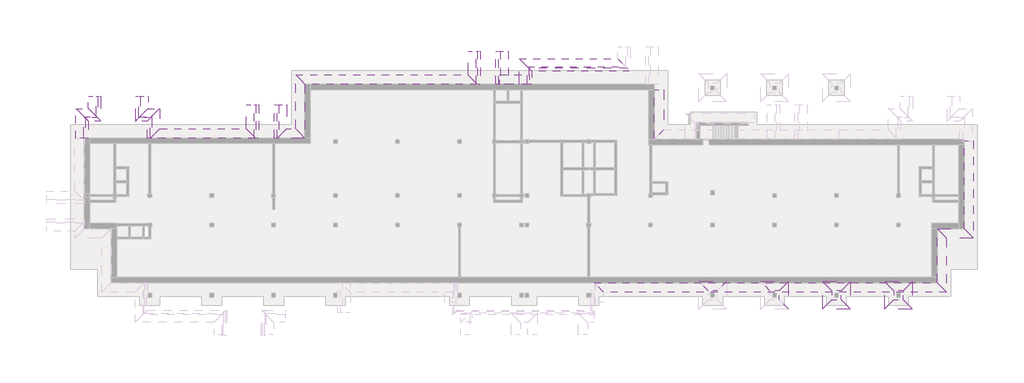
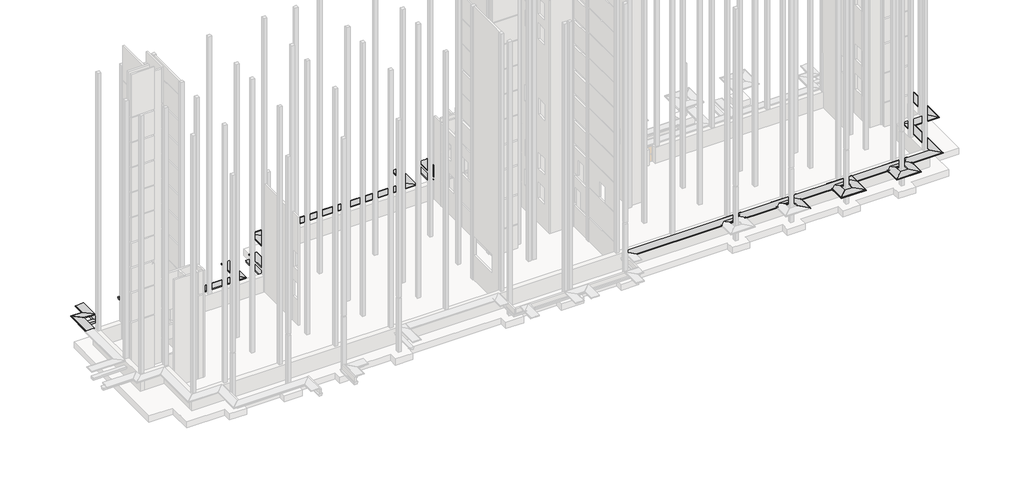
# One storey, part 8 of 9: 45 proxies.
"""IFC4 building model written with IfcOpenShell, lengths in millimetres."""

from ifc_helpers import new_model, si_unit, origin, place, context, project, spatial, faceted_brep, element, save

model = new_model("IFC4")

# Units and contexts
model_context = context("Model", 3, world=origin())
ifc_project = project(units=[si_unit("LENGTHUNIT", "METRE", prefix="MILLI")], contexts=[model_context])

# Site, building, storey
site = spatial("IfcSite", under=ifc_project)
building = spatial("IfcBuilding", under=site)
storey = spatial("IfcBuildingStorey", under=building, Elevation=-3300.0)

# Proxies
placement = place(None, origin())
element("IfcBuildingElementProxy", 1, Name="Wall Sweeps", at=placement, inside=storey, context=model_context, shape_type="Brep", body=[
    faceted_brep([(50820.0112841, 698.1079487, -1230.0), (49820.0112841, 698.1079487, -1230.0), (49820.0112841, 698.1079487, -1100.0), (50820.0112841, 698.1079487, -1150.0), (50820.0112841, 698.1079487, -1143.3493649), (50847.5112841, 698.1079487, -1143.3493649), (50860.0112841, 698.1079487, -1165.0), (50860.0112841, 698.1079487, -1230.0), (50820.0112841, -10116.8920513, -1230.0), (50860.0112841, -10156.8920513, -1230.0), (50860.0112841, -10156.8920513, -1165.0), (50847.5112841, -10144.3920513, -1143.3493649), (50820.0112841, -10116.8920513, -1143.3493649), (50820.0112841, -10116.8920513, -1150.0), (49820.0112841, -9116.8920513, -1100.0), (49820.0112841, -9116.8920513, -1230.0)], [[[0, 1, 2, 3, 4, 5, 6, 7]], [[8, 9, 10, 11, 12, 13, 14, 15]], [[1, 0, 8, 15]], [[2, 1, 15, 14]], [[3, 2, 14, 13]], [[4, 3, 13, 12]], [[5, 4, 12, 11]], [[6, 5, 11, 10]], [[7, 6, 10, 9]], [[0, 7, 9, 8]]]),
])
element("IfcBuildingElementProxy", 2, Name="Wall Sweeps", at=placement, inside=storey, context=model_context, shape_type="Brep", body=[
    faceted_brep([(50820.0112841, -10116.8920513, -1230.0), (49820.0112841, -9116.8920513, -1230.0), (49820.0112841, -9116.8920513, -1100.0), (50820.0112841, -10116.8920513, -1150.0), (50820.0112841, -10116.8920513, -1143.3493649), (50847.5112841, -10144.3920513, -1143.3493649), (50860.0112841, -10156.8920513, -1165.0), (50860.0112841, -10156.8920513, -1230.0), (47820.0112841, -10116.8920513, -1230.0), (47860.0112841, -10156.8920513, -1230.0), (47860.0112841, -10156.8920513, -1165.0), (47847.5112841, -10144.3920513, -1143.3493649), (47820.0112841, -10116.8920513, -1143.3493649), (47820.0112841, -10116.8920513, -1150.0), (46820.0112841, -9116.8920513, -1100.0), (46820.0112841, -9116.8920513, -1230.0)], [[[0, 1, 2, 3, 4, 5, 6, 7]], [[8, 9, 10, 11, 12, 13, 14, 15]], [[1, 0, 8, 15]], [[2, 1, 15, 14]], [[3, 2, 14, 13]], [[4, 3, 13, 12]], [[5, 4, 12, 11]], [[6, 5, 11, 10]], [[7, 6, 10, 9]], [[0, 7, 9, 8]]]),
])
element("IfcBuildingElementProxy", 3, Name="Wall Sweeps", at=placement, inside=storey, context=model_context, shape_type="Brep", body=[
    faceted_brep([(47820.0112841, -10116.8920513, -1230.0), (46820.0112841, -9116.8920513, -1230.0), (46820.0112841, -9116.8920513, -1100.0), (47820.0112841, -10116.8920513, -1150.0), (47820.0112841, -10116.8920513, -1143.3493649), (47847.5112841, -10144.3920513, -1143.3493649), (47860.0112841, -10156.8920513, -1165.0), (47860.0112841, -10156.8920513, -1230.0), (47820.0112841, -16116.8920513, -1230.0), (47860.0112841, -16156.8920513, -1230.0), (47860.0112841, -16156.8920513, -1165.0), (47847.5112841, -16144.3920513, -1143.3493649), (47820.0112841, -16116.8920513, -1143.3493649), (47820.0112841, -16116.8920513, -1150.0), (46820.0112841, -15116.8920513, -1100.0), (46820.0112841, -15116.8920513, -1230.0)], [[[0, 1, 2, 3, 4, 5, 6, 7]], [[8, 9, 10, 11, 12, 13, 14, 15]], [[1, 0, 8, 15]], [[2, 1, 15, 14]], [[3, 2, 14, 13]], [[4, 3, 13, 12]], [[5, 4, 12, 11]], [[6, 5, 11, 10]], [[7, 6, 10, 9]], [[0, 7, 9, 8]]]),
])
element("IfcBuildingElementProxy", 4, Name="Wall Sweeps", at=placement, inside=storey, context=model_context, shape_type="Brep", body=[
    faceted_brep([(47820.0112841, -16116.8920513, -1230.0), (46820.0112841, -15116.8920513, -1230.0), (46820.0112841, -15116.8920513, -1100.0), (47820.0112841, -16116.8920513, -1150.0), (47820.0112841, -16116.8920513, -1143.3493649), (47847.5112841, -16144.3920513, -1143.3493649), (47860.0112841, -16156.8920513, -1165.0), (47860.0112841, -16156.8920513, -1230.0), (9610.0112841, -16116.8920513, -1230.0), (9650.0112841, -16156.8920513, -1230.0), (9650.0112841, -16156.8920513, -1165.0), (9637.5112841, -16144.3920513, -1143.3493649), (9610.0112841, -16116.8920513, -1143.3493649), (9610.0112841, -16116.8920513, -1150.0), (8610.0112841, -15116.8920513, -1100.0), (8610.0112841, -15116.8920513, -1230.0)], [[[0, 1, 2, 3, 4, 5, 6, 7]], [[8, 9, 10, 11, 12, 13, 14, 15]], [[1, 0, 8, 15]], [[2, 1, 15, 14]], [[3, 2, 14, 13]], [[4, 3, 13, 12]], [[5, 4, 12, 11]], [[6, 5, 11, 10]], [[7, 6, 10, 9]], [[0, 7, 9, 8]]]),
])
element("IfcBuildingElementProxy", 5, Name="Wall Sweeps", at=placement, inside=storey, context=model_context, shape_type="Brep", body=[
    faceted_brep([(-24599.9887159, 2003.1079487, -1230.0), (-23599.9887159, 1003.1079487, -1230.0), (-23599.9887159, 1003.1079487, -1100.0), (-24599.9887159, 2003.1079487, -1150.0), (-24599.9887159, 2003.1079487, -1143.3493649), (-24627.4887159, 2030.6079487, -1143.3493649), (-24639.9887159, 2043.1079487, -1165.0), (-24639.9887159, 2043.1079487, -1230.0), (-24599.9887159, 8003.1079487, -1230.0), (-24639.9887159, 8043.1079487, -1230.0), (-24639.9887159, 8043.1079487, -1165.0), (-24627.4887159, 8030.6079487, -1143.3493649), (-24599.9887159, 8003.1079487, -1143.3493649), (-24599.9887159, 8003.1079487, -1150.0), (-23599.9887159, 7003.1079487, -1100.0), (-23599.9887159, 7003.1079487, -1230.0)], [[[0, 1, 2, 3, 4, 5, 6, 7]], [[8, 9, 10, 11, 12, 13, 14, 15]], [[1, 0, 8, 15]], [[2, 1, 15, 14]], [[3, 2, 14, 13]], [[4, 3, 13, 12]], [[5, 4, 12, 11]], [[6, 5, 11, 10]], [[7, 6, 10, 9]], [[0, 7, 9, 8]]]),
])
element("IfcBuildingElementProxy", 6, Name="Wall Sweeps", at=placement, inside=storey, context=model_context, shape_type="Brep", body=[
    faceted_brep([(-24599.9887159, 8003.1079487, -1230.0), (-23599.9887159, 7003.1079487, -1230.0), (-23599.9887159, 7003.1079487, -1100.0), (-24599.9887159, 8003.1079487, -1150.0), (-24599.9887159, 8003.1079487, -1143.3493649), (-24627.4887159, 8030.6079487, -1143.3493649), (-24639.9887159, 8043.1079487, -1165.0), (-24639.9887159, 8043.1079487, -1230.0), (-5399.9887159, 8003.1079487, -1230.0), (-5439.9887159, 8043.1079487, -1230.0), (-5439.9887159, 8043.1079487, -1165.0), (-5427.4887159, 8030.6079487, -1143.3493649), (-5399.9887159, 8003.1079487, -1143.3493649), (-5399.9887159, 8003.1079487, -1150.0), (-4399.9887159, 7003.1079487, -1100.0), (-4399.9887159, 7003.1079487, -1230.0)], [[[0, 1, 2, 3, 4, 5, 6, 7]], [[8, 9, 10, 11, 12, 13, 14, 15]], [[1, 0, 8, 15]], [[2, 1, 15, 14]], [[3, 2, 14, 13]], [[4, 3, 13, 12]], [[5, 4, 12, 11]], [[6, 5, 11, 10]], [[7, 6, 10, 9]], [[0, 7, 9, 8]]]),
])
element("IfcBuildingElementProxy", 7, Name="Wall Sweeps", at=placement, inside=storey, context=model_context, shape_type="Brep", body=[
    faceted_brep([(20300.0112841, -14996.8920513, -1230.0), (21300.0112841, -15996.8920513, -1230.0), (21300.0112841, -15996.8920513, -1100.0), (20300.0112841, -14996.8920513, -1150.0), (20300.0112841, -14996.8920513, -1143.3493649), (20272.5112841, -14969.3920513, -1143.3493649), (20260.0112841, -14956.8920513, -1165.0), (20260.0112841, -14956.8920513, -1230.0), (23320.0112841, -14996.8920513, -1230.0), (23360.0112841, -14956.8920513, -1230.0), (23360.0112841, -14956.8920513, -1165.0), (23347.5112841, -14969.3920513, -1143.3493649), (23320.0112841, -14996.8920513, -1143.3493649), (23320.0112841, -14996.8920513, -1150.0), (22320.0112841, -15996.8920513, -1100.0), (22320.0112841, -15996.8920513, -1230.0)], [[[0, 1, 2, 3, 4, 5, 6, 7]], [[8, 9, 10, 11, 12, 13, 14, 15]], [[1, 0, 8, 15]], [[2, 1, 15, 14]], [[3, 2, 14, 13]], [[4, 3, 13, 12]], [[5, 4, 12, 11]], [[6, 5, 11, 10]], [[7, 6, 10, 9]], [[0, 7, 9, 8]]]),
])
element("IfcBuildingElementProxy", 8, Name="Wall Sweeps", at=placement, inside=storey, context=model_context, shape_type="Brep", body=[
    faceted_brep([(27200.0112841, -14996.8920513, -1230.0), (28200.0112841, -15996.8920513, -1230.0), (28200.0112841, -15996.8920513, -1100.0), (27200.0112841, -14996.8920513, -1150.0), (27200.0112841, -14996.8920513, -1143.3493649), (27172.5112841, -14969.3920513, -1143.3493649), (27160.0112841, -14956.8920513, -1165.0), (27160.0112841, -14956.8920513, -1230.0), (30220.0112841, -14996.8920513, -1230.0), (30260.0112841, -14956.8920513, -1230.0), (30260.0112841, -14956.8920513, -1165.0), (30247.5112841, -14969.3920513, -1143.3493649), (30220.0112841, -14996.8920513, -1143.3493649), (30220.0112841, -14996.8920513, -1150.0), (29220.0112841, -15996.8920513, -1100.0), (29220.0112841, -15996.8920513, -1230.0)], [[[0, 1, 2, 3, 4, 5, 6, 7]], [[8, 9, 10, 11, 12, 13, 14, 15]], [[1, 0, 8, 15]], [[2, 1, 15, 14]], [[3, 2, 14, 13]], [[4, 3, 13, 12]], [[5, 4, 12, 11]], [[6, 5, 11, 10]], [[7, 6, 10, 9]], [[0, 7, 9, 8]]]),
])
element("IfcBuildingElementProxy", 9, Name="Wall Sweeps", at=placement, inside=storey, context=model_context, shape_type="Brep", body=[
    faceted_brep([(30220.0112841, -14996.8920513, -1230.0), (29220.0112841, -15996.8920513, -1230.0), (29220.0112841, -15996.8920513, -1100.0), (30220.0112841, -14996.8920513, -1150.0), (30220.0112841, -14996.8920513, -1143.3493649), (30247.5112841, -14969.3920513, -1143.3493649), (30260.0112841, -14956.8920513, -1165.0), (30260.0112841, -14956.8920513, -1230.0), (30220.0112841, -18016.8920513, -1230.0), (30260.0112841, -18056.8920513, -1230.0), (30260.0112841, -18056.8920513, -1165.0), (30247.5112841, -18044.3920513, -1143.3493649), (30220.0112841, -18016.8920513, -1143.3493649), (30220.0112841, -18016.8920513, -1150.0), (29220.0112841, -17016.8920513, -1100.0), (29220.0112841, -17016.8920513, -1230.0)], [[[0, 1, 2, 3, 4, 5, 6, 7]], [[8, 9, 10, 11, 12, 13, 14, 15]], [[1, 0, 8, 15]], [[2, 1, 15, 14]], [[3, 2, 14, 13]], [[4, 3, 13, 12]], [[5, 4, 12, 11]], [[6, 5, 11, 10]], [[7, 6, 10, 9]], [[0, 7, 9, 8]]]),
])
element("IfcBuildingElementProxy", 10, Name="Wall Sweeps", at=placement, inside=storey, context=model_context, shape_type="Brep", body=[
    faceted_brep([(34100.0112841, -14996.8920513, -1230.0), (35100.0112841, -15996.8920513, -1230.0), (35100.0112841, -15996.8920513, -1100.0), (34100.0112841, -14996.8920513, -1150.0), (34100.0112841, -14996.8920513, -1143.3493649), (34072.5112841, -14969.3920513, -1143.3493649), (34060.0112841, -14956.8920513, -1165.0), (34060.0112841, -14956.8920513, -1230.0), (37120.0112841, -14996.8920513, -1230.0), (37160.0112841, -14956.8920513, -1230.0), (37160.0112841, -14956.8920513, -1165.0), (37147.5112841, -14969.3920513, -1143.3493649), (37120.0112841, -14996.8920513, -1143.3493649), (37120.0112841, -14996.8920513, -1150.0), (36120.0112841, -15996.8920513, -1100.0), (36120.0112841, -15996.8920513, -1230.0)], [[[0, 1, 2, 3, 4, 5, 6, 7]], [[8, 9, 10, 11, 12, 13, 14, 15]], [[1, 0, 8, 15]], [[2, 1, 15, 14]], [[3, 2, 14, 13]], [[4, 3, 13, 12]], [[5, 4, 12, 11]], [[6, 5, 11, 10]], [[7, 6, 10, 9]], [[0, 7, 9, 8]]]),
])
element("IfcBuildingElementProxy", 11, Name="Wall Sweeps", at=placement, inside=storey, context=model_context, shape_type="Brep", body=[
    faceted_brep([(34100.0112841, -14996.8920513, -1230.0), (34060.0112841, -14956.8920513, -1230.0), (34060.0112841, -14956.8920513, -1165.0), (34072.5112841, -14969.3920513, -1143.3493649), (34100.0112841, -14996.8920513, -1143.3493649), (34100.0112841, -14996.8920513, -1150.0), (35100.0112841, -15996.8920513, -1100.0), (35100.0112841, -15996.8920513, -1230.0), (34100.0112841, -18016.8920513, -1230.0), (35100.0112841, -17016.8920513, -1230.0), (35100.0112841, -17016.8920513, -1100.0), (34100.0112841, -18016.8920513, -1150.0), (34100.0112841, -18016.8920513, -1143.3493649), (34072.5112841, -18044.3920513, -1143.3493649), (34060.0112841, -18056.8920513, -1165.0), (34060.0112841, -18056.8920513, -1230.0)], [[[0, 1, 2, 3, 4, 5, 6, 7]], [[8, 9, 10, 11, 12, 13, 14, 15]], [[1, 0, 8, 15]], [[2, 1, 15, 14]], [[3, 2, 14, 13]], [[4, 3, 13, 12]], [[5, 4, 12, 11]], [[6, 5, 11, 10]], [[7, 6, 10, 9]], [[0, 7, 9, 8]]]),
])
element("IfcBuildingElementProxy", 12, Name="Wall Sweeps", at=placement, inside=storey, context=model_context, shape_type="Brep", body=[
    faceted_brep([(37120.0112841, -18016.8920513, -1230.0), (36120.0112841, -17016.8920513, -1230.0), (36120.0112841, -17016.8920513, -1100.0), (37120.0112841, -18016.8920513, -1150.0), (37120.0112841, -18016.8920513, -1143.3493649), (37147.5112841, -18044.3920513, -1143.3493649), (37160.0112841, -18056.8920513, -1165.0), (37160.0112841, -18056.8920513, -1230.0), (34100.0112841, -18016.8920513, -1230.0), (34060.0112841, -18056.8920513, -1230.0), (34060.0112841, -18056.8920513, -1165.0), (34072.5112841, -18044.3920513, -1143.3493649), (34100.0112841, -18016.8920513, -1143.3493649), (34100.0112841, -18016.8920513, -1150.0), (35100.0112841, -17016.8920513, -1100.0), (35100.0112841, -17016.8920513, -1230.0)], [[[0, 1, 2, 3, 4, 5, 6, 7]], [[8, 9, 10, 11, 12, 13, 14, 15]], [[1, 0, 8, 15]], [[2, 1, 15, 14]], [[3, 2, 14, 13]], [[4, 3, 13, 12]], [[5, 4, 12, 11]], [[6, 5, 11, 10]], [[7, 6, 10, 9]], [[0, 7, 9, 8]]]),
])
element("IfcBuildingElementProxy", 13, Name="Wall Sweeps", at=placement, inside=storey, context=model_context, shape_type="Brep", body=[
    faceted_brep([(37120.0112841, -14996.8920513, -1230.0), (36120.0112841, -15996.8920513, -1230.0), (36120.0112841, -15996.8920513, -1100.0), (37120.0112841, -14996.8920513, -1150.0), (37120.0112841, -14996.8920513, -1143.3493649), (37147.5112841, -14969.3920513, -1143.3493649), (37160.0112841, -14956.8920513, -1165.0), (37160.0112841, -14956.8920513, -1230.0), (37120.0112841, -18016.8920513, -1230.0), (37160.0112841, -18056.8920513, -1230.0), (37160.0112841, -18056.8920513, -1165.0), (37147.5112841, -18044.3920513, -1143.3493649), (37120.0112841, -18016.8920513, -1143.3493649), (37120.0112841, -18016.8920513, -1150.0), (36120.0112841, -17016.8920513, -1100.0), (36120.0112841, -17016.8920513, -1230.0)], [[[0, 1, 2, 3, 4, 5, 6, 7]], [[8, 9, 10, 11, 12, 13, 14, 15]], [[1, 0, 8, 15]], [[2, 1, 15, 14]], [[3, 2, 14, 13]], [[4, 3, 13, 12]], [[5, 4, 12, 11]], [[6, 5, 11, 10]], [[7, 6, 10, 9]], [[0, 7, 9, 8]]]),
])
element("IfcBuildingElementProxy", 14, Name="Wall Sweeps", at=placement, inside=storey, context=model_context, shape_type="Brep", body=[
    faceted_brep([(41000.0112841, -14996.8920513, -1230.0), (42000.0112841, -15996.8920513, -1230.0), (42000.0112841, -15996.8920513, -1100.0), (41000.0112841, -14996.8920513, -1150.0), (41000.0112841, -14996.8920513, -1143.3493649), (40972.5112841, -14969.3920513, -1143.3493649), (40960.0112841, -14956.8920513, -1165.0), (40960.0112841, -14956.8920513, -1230.0), (44020.0112841, -14996.8920513, -1230.0), (44060.0112841, -14956.8920513, -1230.0), (44060.0112841, -14956.8920513, -1165.0), (44047.5112841, -14969.3920513, -1143.3493649), (44020.0112841, -14996.8920513, -1143.3493649), (44020.0112841, -14996.8920513, -1150.0), (43020.0112841, -15996.8920513, -1100.0), (43020.0112841, -15996.8920513, -1230.0)], [[[0, 1, 2, 3, 4, 5, 6, 7]], [[8, 9, 10, 11, 12, 13, 14, 15]], [[1, 0, 8, 15]], [[2, 1, 15, 14]], [[3, 2, 14, 13]], [[4, 3, 13, 12]], [[5, 4, 12, 11]], [[6, 5, 11, 10]], [[7, 6, 10, 9]], [[0, 7, 9, 8]]]),
])
element("IfcBuildingElementProxy", 15, Name="Wall Sweeps", at=placement, inside=storey, context=model_context, shape_type="Brep", body=[
    faceted_brep([(41000.0112841, -14996.8920513, -1230.0), (40960.0112841, -14956.8920513, -1230.0), (40960.0112841, -14956.8920513, -1165.0), (40972.5112841, -14969.3920513, -1143.3493649), (41000.0112841, -14996.8920513, -1143.3493649), (41000.0112841, -14996.8920513, -1150.0), (42000.0112841, -15996.8920513, -1100.0), (42000.0112841, -15996.8920513, -1230.0), (41000.0112841, -18016.8920513, -1230.0), (42000.0112841, -17016.8920513, -1230.0), (42000.0112841, -17016.8920513, -1100.0), (41000.0112841, -18016.8920513, -1150.0), (41000.0112841, -18016.8920513, -1143.3493649), (40972.5112841, -18044.3920513, -1143.3493649), (40960.0112841, -18056.8920513, -1165.0), (40960.0112841, -18056.8920513, -1230.0)], [[[0, 1, 2, 3, 4, 5, 6, 7]], [[8, 9, 10, 11, 12, 13, 14, 15]], [[1, 0, 8, 15]], [[2, 1, 15, 14]], [[3, 2, 14, 13]], [[4, 3, 13, 12]], [[5, 4, 12, 11]], [[6, 5, 11, 10]], [[7, 6, 10, 9]], [[0, 7, 9, 8]]]),
])
element("IfcBuildingElementProxy", 16, Name="Wall Sweeps", at=placement, inside=storey, context=model_context, shape_type="Brep", body=[
    faceted_brep([(44020.0112841, -18016.8920513, -1230.0), (43020.0112841, -17016.8920513, -1230.0), (43020.0112841, -17016.8920513, -1100.0), (44020.0112841, -18016.8920513, -1150.0), (44020.0112841, -18016.8920513, -1143.3493649), (44047.5112841, -18044.3920513, -1143.3493649), (44060.0112841, -18056.8920513, -1165.0), (44060.0112841, -18056.8920513, -1230.0), (41000.0112841, -18016.8920513, -1230.0), (40960.0112841, -18056.8920513, -1230.0), (40960.0112841, -18056.8920513, -1165.0), (40972.5112841, -18044.3920513, -1143.3493649), (41000.0112841, -18016.8920513, -1143.3493649), (41000.0112841, -18016.8920513, -1150.0), (42000.0112841, -17016.8920513, -1100.0), (42000.0112841, -17016.8920513, -1230.0)], [[[0, 1, 2, 3, 4, 5, 6, 7]], [[8, 9, 10, 11, 12, 13, 14, 15]], [[1, 0, 8, 15]], [[2, 1, 15, 14]], [[3, 2, 14, 13]], [[4, 3, 13, 12]], [[5, 4, 12, 11]], [[6, 5, 11, 10]], [[7, 6, 10, 9]], [[0, 7, 9, 8]]]),
])
element("IfcBuildingElementProxy", 17, Name="Wall Sweeps", at=placement, inside=storey, context=model_context, shape_type="Brep", body=[
    faceted_brep([(44020.0112841, -14996.8920513, -1230.0), (43020.0112841, -15996.8920513, -1230.0), (43020.0112841, -15996.8920513, -1100.0), (44020.0112841, -14996.8920513, -1150.0), (44020.0112841, -14996.8920513, -1143.3493649), (44047.5112841, -14969.3920513, -1143.3493649), (44060.0112841, -14956.8920513, -1165.0), (44060.0112841, -14956.8920513, -1230.0), (44020.0112841, -18016.8920513, -1230.0), (44060.0112841, -18056.8920513, -1230.0), (44060.0112841, -18056.8920513, -1165.0), (44047.5112841, -18044.3920513, -1143.3493649), (44020.0112841, -18016.8920513, -1143.3493649), (44020.0112841, -18016.8920513, -1150.0), (43020.0112841, -17016.8920513, -1100.0), (43020.0112841, -17016.8920513, -1230.0)], [[[0, 1, 2, 3, 4, 5, 6, 7]], [[8, 9, 10, 11, 12, 13, 14, 15]], [[1, 0, 8, 15]], [[2, 1, 15, 14]], [[3, 2, 14, 13]], [[4, 3, 13, 12]], [[5, 4, 12, 11]], [[6, 5, 11, 10]], [[7, 6, 10, 9]], [[0, 7, 9, 8]]]),
])
element("IfcBuildingElementProxy", 18, Name="Wall Sweeps", at=placement, inside=storey, context=model_context, shape_type="Brep", body=[
    faceted_brep([(-47685.9937665, 4248.1270954, -1230.0), (-46685.9937665, 3248.1270954, -1230.0), (-46685.9937665, 3248.1270954, -1100.0), (-47685.9937665, 4248.1270954, -1150.0), (-47685.9937665, 4248.1270954, -1143.3493649), (-47713.4937665, 4275.6270954, -1143.3493649), (-47725.9937665, 4288.1270954, -1165.0), (-47725.9937665, 4288.1270954, -1230.0), (-47685.9937665, 5668.1079487, -1230.0), (-47725.9937665, 5668.1079487, -1230.0), (-47725.9937665, 5668.1079487, -1165.0), (-47713.4937665, 5668.1079487, -1143.3493649), (-47685.9937665, 5668.1079487, -1143.3493649), (-47685.9937665, 5668.1079487, -1150.0), (-46795.9937665, 5668.1079487, -1105.5), (-46685.9937665, 5668.1079487, -1100.0), (-46685.9937665, 5668.1079487, -1200.0), (-46685.9937665, 5668.1079487, -1230.0)], [[[0, 1, 2, 3, 4, 5, 6, 7]], [[8, 9, 10, 11, 12, 13, 14, 15, 16, 17]], [[1, 0, 8, 17]], [[2, 1, 17, 16, 15]], [[3, 2, 15, 14, 13]], [[4, 3, 13, 12]], [[5, 4, 12, 11]], [[6, 5, 11, 10]], [[7, 6, 10, 9]], [[0, 7, 9, 8]]]),
])
element("IfcBuildingElementProxy", 19, Name="Wall Sweeps", at=placement, inside=storey, context=model_context, shape_type="Brep", body=[
    faceted_brep([(-46335.9937665, 2898.1270954, -1800.0), (-46835.9937665, 3398.1270954, -1800.0), (-46760.9937665, 3323.1270954, -2100.0), (-46410.9937665, 2973.1270954, -2100.0), (-46335.9937665, 5668.1079487, -1800.0), (-46410.9937665, 5668.1079487, -2100.0), (-46760.9937665, 5668.1079487, -2100.0), (-46835.9937665, 5668.1079487, -1800.0), (-46685.9937665, 5668.1079487, -1800.0), (-46485.9937665, 5668.1079487, -1800.0)], [[[0, 1, 2, 3]], [[4, 5, 6, 7, 8, 9]], [[1, 0, 4, 9, 8, 7]], [[2, 1, 7, 6]], [[3, 2, 6, 5]], [[0, 3, 5, 4]]]),
])
element("IfcBuildingElementProxy", 20, Name="Wall Sweeps", at=placement, inside=storey, context=model_context, shape_type="Brep", body=[
    faceted_brep([(-39811.9988172, 2003.1079487, -1230.0), (-39771.9988172, 2043.1079487, -1230.0), (-39771.9988172, 2043.1079487, -1165.0), (-39784.4988172, 2030.6079487, -1143.3493649), (-39811.9988172, 2003.1079487, -1143.3493649), (-39811.9988172, 2003.1079487, -1150.0), (-40811.9988172, 1003.1079487, -1100.0), (-40811.9988172, 1003.1079487, -1230.0), (-39811.9988172, 4248.1270954, -1230.0), (-40811.9988172, 3248.1270954, -1230.0), (-40811.9988172, 3248.1270954, -1100.0), (-39811.9988172, 4248.1270954, -1150.0), (-39811.9988172, 4248.1270954, -1143.3493649), (-39784.4988172, 4275.6270954, -1143.3493649), (-39771.9988172, 4288.1270954, -1165.0), (-39771.9988172, 4288.1270954, -1230.0)], [[[0, 1, 2, 3, 4, 5, 6, 7]], [[8, 9, 10, 11, 12, 13, 14, 15]], [[0, 7, 9, 8]], [[7, 6, 10, 9]], [[6, 5, 11, 10]], [[5, 4, 12, 11]], [[4, 3, 13, 12]], [[3, 2, 14, 13]], [[2, 1, 15, 14]], [[1, 0, 8, 15]]]),
])
element("IfcBuildingElementProxy", 21, Name="Wall Sweeps", at=placement, inside=storey, context=model_context, shape_type="Brep", body=[
    faceted_brep([(-41161.9988172, 1003.1079487, -1800.0), (-41086.9988172, 1003.1079487, -2100.0), (-40736.9988172, 1003.1079487, -2100.0), (-40661.9988172, 1003.1079487, -1800.0), (-40811.9988172, 1003.1079487, -1800.0), (-41011.9988172, 1003.1079487, -1800.0), (-41161.9988172, 2898.1270954, -1800.0), (-40661.9988172, 3398.1270954, -1800.0), (-40736.9988172, 3323.1270954, -2100.0), (-41086.9988172, 2973.1270954, -2100.0)], [[[0, 1, 2, 3, 4, 5]], [[6, 7, 8, 9]], [[0, 5, 4, 3, 7, 6]], [[3, 2, 8, 7]], [[2, 1, 9, 8]], [[1, 0, 6, 9]]]),
])
element("IfcBuildingElementProxy", 22, Name="Wall Sweeps", at=placement, inside=storey, context=model_context, shape_type="Brep", body=[
    faceted_brep([(-41105.9937665, 4248.1270954, -1230.0), (-42105.9937665, 3248.1270954, -1230.0), (-42105.9937665, 3248.1270954, -1100.0), (-41105.9937665, 4248.1270954, -1150.0), (-41105.9937665, 4248.1270954, -1143.3493649), (-41078.4937665, 4275.6270954, -1143.3493649), (-41065.9937665, 4288.1270954, -1165.0), (-41065.9937665, 4288.1270954, -1230.0), (-39811.9988172, 4248.1270954, -1230.0), (-39771.9988172, 4288.1270954, -1230.0), (-39771.9988172, 4288.1270954, -1165.0), (-39784.4988172, 4275.6270954, -1143.3493649), (-39811.9988172, 4248.1270954, -1143.3493649), (-39811.9988172, 4248.1270954, -1150.0), (-40811.9988172, 3248.1270954, -1100.0), (-40811.9988172, 3248.1270954, -1230.0), (-41011.9988172, 3248.1270954, -1100.0)], [[[0, 1, 2, 3, 4, 5, 6, 7]], [[8, 9, 10, 11, 12, 13, 14, 15]], [[1, 0, 8, 15]], [[2, 1, 15, 14, 16]], [[3, 2, 16, 14, 13]], [[4, 3, 13, 12]], [[5, 4, 12, 11]], [[6, 5, 11, 10]], [[7, 6, 10, 9]], [[0, 7, 9, 8]]]),
])
element("IfcBuildingElementProxy", 23, Name="Wall Sweeps", at=placement, inside=storey, context=model_context, shape_type="Brep", body=[
    faceted_brep([(-42455.9937665, 2898.1270954, -1800.0), (-41955.9937665, 3398.1270954, -1800.0), (-42030.9937665, 3323.1270954, -2100.0), (-42380.9937665, 2973.1270954, -2100.0), (-41161.9988172, 2898.1270954, -1800.0), (-41086.9988172, 2973.1270954, -2100.0), (-40736.9988172, 3323.1270954, -2100.0), (-40661.9988172, 3398.1270954, -1800.0)], [[[0, 1, 2, 3]], [[4, 5, 6, 7]], [[1, 0, 4, 7]], [[2, 1, 7, 6]], [[3, 2, 6, 5]], [[0, 3, 5, 4]]]),
])
element("IfcBuildingElementProxy", 24, Name="Wall Sweeps", at=placement, inside=storey, context=model_context, shape_type="Brep", body=[
    faceted_brep([(-41105.9937665, 4248.1270954, -1230.0), (-41065.9937665, 4288.1270954, -1230.0), (-41065.9937665, 4288.1270954, -1165.0), (-41078.4937665, 4275.6270954, -1143.3493649), (-41105.9937665, 4248.1270954, -1143.3493649), (-41105.9937665, 4248.1270954, -1150.0), (-42105.9937665, 3248.1270954, -1100.0), (-42105.9937665, 3248.1270954, -1230.0), (-41105.9937665, 5668.1079487, -1230.0), (-42105.9937665, 5668.1079487, -1230.0), (-42105.9937665, 5668.1079487, -1200.0), (-42105.9937665, 5668.1079487, -1100.0), (-41995.9937665, 5668.1079487, -1105.5), (-41105.9937665, 5668.1079487, -1150.0), (-41105.9937665, 5668.1079487, -1143.3493649), (-41078.4937665, 5668.1079487, -1143.3493649), (-41065.9937665, 5668.1079487, -1165.0), (-41065.9937665, 5668.1079487, -1230.0), (-42105.9937665, 3358.1270954, -1100.0)], [[[0, 1, 2, 3, 4, 5, 6, 7]], [[8, 9, 10, 11, 12, 13, 14, 15, 16, 17]], [[0, 7, 9, 8]], [[7, 6, 18, 11, 10, 9]], [[6, 5, 13, 12, 11, 18]], [[5, 4, 14, 13]], [[4, 3, 15, 14]], [[3, 2, 16, 15]], [[2, 1, 17, 16]], [[1, 0, 8, 17]]]),
])
element("IfcBuildingElementProxy", 25, Name="Wall Sweeps", at=placement, inside=storey, context=model_context, shape_type="Brep", body=[
    faceted_brep([(-42455.9937665, 2898.1270954, -1800.0), (-42380.9937665, 2973.1270954, -2100.0), (-42030.9937665, 3323.1270954, -2100.0), (-41955.9937665, 3398.1270954, -1800.0), (-42455.9937665, 5668.1079487, -1800.0), (-42305.9937665, 5668.1079487, -1800.0), (-42105.9937665, 5668.1079487, -1800.0), (-41955.9937665, 5668.1079487, -1800.0), (-42030.9937665, 5668.1079487, -2100.0), (-42380.9937665, 5668.1079487, -2100.0)], [[[0, 1, 2, 3]], [[4, 5, 6, 7, 8, 9]], [[0, 3, 7, 6, 5, 4]], [[3, 2, 8, 7]], [[2, 1, 9, 8]], [[1, 0, 4, 9]]]),
])
element("IfcBuildingElementProxy", 26, Name="Wall Sweeps", at=placement, inside=storey, context=model_context, shape_type="Brep", body=[
    faceted_brep([(-39811.9988172, 2003.1079487, -1230.0), (-40811.9988172, 1003.1079487, -1230.0), (-40811.9988172, 1003.1079487, -1100.0), (-39811.9988172, 2003.1079487, -1150.0), (-39811.9988172, 2003.1079487, -1143.3493649), (-39784.4988172, 2030.6079487, -1143.3493649), (-39771.9988172, 2043.1079487, -1165.0), (-39771.9988172, 2043.1079487, -1230.0), (-30089.9887159, 2003.1079487, -1230.0), (-30129.9887159, 2043.1079487, -1230.0), (-30129.9887159, 2043.1079487, -1165.0), (-30117.4887159, 2030.6079487, -1143.3493649), (-30089.9887159, 2003.1079487, -1143.3493649), (-30089.9887159, 2003.1079487, -1150.0), (-29089.9887159, 1003.1079487, -1100.0), (-29089.9887159, 1003.1079487, -1230.0)], [[[0, 1, 2, 3, 4, 5, 6, 7]], [[8, 9, 10, 11, 12, 13, 14, 15]], [[1, 0, 8, 15]], [[2, 1, 15, 14]], [[3, 2, 14, 13]], [[4, 3, 13, 12]], [[5, 4, 12, 11]], [[6, 5, 11, 10]], [[7, 6, 10, 9]], [[0, 7, 9, 8]]]),
])
element("IfcBuildingElementProxy", 27, Name="Wall Sweeps", at=placement, inside=storey, context=model_context, shape_type="Brep", body=[
    faceted_brep([(-25689.9887159, 2003.1079487, -1230.0), (-25649.9887159, 2043.1079487, -1230.0), (-25649.9887159, 2043.1079487, -1165.0), (-25662.4887159, 2030.6079487, -1143.3493649), (-25689.9887159, 2003.1079487, -1143.3493649), (-25689.9887159, 2003.1079487, -1150.0), (-26689.9887159, 1003.1079487, -1100.0), (-26689.9887159, 1003.1079487, -1230.0), (-25689.9887159, 4693.1079487, -1230.0), (-26689.9887159, 4693.1079487, -1230.0), (-26689.9887159, 4693.1079487, -1200.0), (-26689.9887159, 4693.1079487, -1100.0), (-26579.9887159, 4693.1079487, -1105.5), (-25689.9887159, 4693.1079487, -1150.0), (-25689.9887159, 4693.1079487, -1143.3493649), (-25662.4887159, 4693.1079487, -1143.3493649), (-25649.9887159, 4693.1079487, -1165.0), (-25649.9887159, 4693.1079487, -1230.0)], [[[0, 1, 2, 3, 4, 5, 6, 7]], [[8, 9, 10, 11, 12, 13, 14, 15, 16, 17]], [[0, 7, 9, 8]], [[7, 6, 11, 10, 9]], [[6, 5, 13, 12, 11]], [[5, 4, 14, 13]], [[4, 3, 15, 14]], [[3, 2, 16, 15]], [[2, 1, 17, 16]], [[1, 0, 8, 17]]]),
])
element("IfcBuildingElementProxy", 28, Name="Wall Sweeps", at=placement, inside=storey, context=model_context, shape_type="Brep", body=[
    faceted_brep([(-27039.9887159, 1003.1079487, -1800.0), (-26964.9887159, 1003.1079487, -2100.0), (-26614.9887159, 1003.1079487, -2100.0), (-26539.9887159, 1003.1079487, -1800.0), (-26689.9887159, 1003.1079487, -1800.0), (-26889.9887159, 1003.1079487, -1800.0), (-27039.9887159, 4693.1079487, -1800.0), (-26889.9887159, 4693.1079487, -1800.0), (-26689.9887159, 4693.1079487, -1800.0), (-26539.9887159, 4693.1079487, -1800.0), (-26614.9887159, 4693.1079487, -2100.0), (-26964.9887159, 4693.1079487, -2100.0)], [[[0, 1, 2, 3, 4, 5]], [[6, 7, 8, 9, 10, 11]], [[0, 5, 4, 3, 9, 8, 7, 6]], [[3, 2, 10, 9]], [[2, 1, 11, 10]], [[1, 0, 6, 11]]]),
])
element("IfcBuildingElementProxy", 29, Name="Wall Sweeps", at=placement, inside=storey, context=model_context, shape_type="Brep", body=[
    faceted_brep([(-30089.9887159, 2003.1079487, -1230.0), (-29089.9887159, 1003.1079487, -1230.0), (-29089.9887159, 1003.1079487, -1100.0), (-30089.9887159, 2003.1079487, -1150.0), (-30089.9887159, 2003.1079487, -1143.3493649), (-30117.4887159, 2030.6079487, -1143.3493649), (-30129.9887159, 2043.1079487, -1165.0), (-30129.9887159, 2043.1079487, -1230.0), (-30089.9887159, 4693.1079487, -1230.0), (-30129.9887159, 4693.1079487, -1230.0), (-30129.9887159, 4693.1079487, -1165.0), (-30117.4887159, 4693.1079487, -1143.3493649), (-30089.9887159, 4693.1079487, -1143.3493649), (-30089.9887159, 4693.1079487, -1150.0), (-29199.9887159, 4693.1079487, -1105.5), (-29089.9887159, 4693.1079487, -1100.0), (-29089.9887159, 4693.1079487, -1200.0), (-29089.9887159, 4693.1079487, -1230.0)], [[[0, 1, 2, 3, 4, 5, 6, 7]], [[8, 9, 10, 11, 12, 13, 14, 15, 16, 17]], [[1, 0, 8, 17]], [[2, 1, 17, 16, 15]], [[3, 2, 15, 14, 13]], [[4, 3, 13, 12]], [[5, 4, 12, 11]], [[6, 5, 11, 10]], [[7, 6, 10, 9]], [[0, 7, 9, 8]]]),
])
element("IfcBuildingElementProxy", 30, Name="Wall Sweeps", at=placement, inside=storey, context=model_context, shape_type="Brep", body=[
    faceted_brep([(-28739.9887159, 1003.1079487, -1800.0), (-28889.9887159, 1003.1079487, -1800.0), (-29089.9887159, 1003.1079487, -1800.0), (-29239.9887159, 1003.1079487, -1800.0), (-29164.9887159, 1003.1079487, -2100.0), (-28814.9887159, 1003.1079487, -2100.0), (-28739.9887159, 4693.1079487, -1800.0), (-28814.9887159, 4693.1079487, -2100.0), (-29164.9887159, 4693.1079487, -2100.0), (-29239.9887159, 4693.1079487, -1800.0), (-29089.9887159, 4693.1079487, -1800.0), (-28889.9887159, 4693.1079487, -1800.0)], [[[0, 1, 2, 3, 4, 5]], [[6, 7, 8, 9, 10, 11]], [[3, 2, 1, 0, 6, 11, 10, 9]], [[4, 3, 9, 8]], [[5, 4, 8, 7]], [[0, 5, 7, 6]]]),
])
element("IfcBuildingElementProxy", 31, Name="Wall Sweeps", at=placement, inside=storey, context=model_context, shape_type="Brep", body=[
    faceted_brep([(-25689.9887159, 2003.1079487, -1230.0), (-26689.9887159, 1003.1079487, -1230.0), (-26689.9887159, 1003.1079487, -1100.0), (-25689.9887159, 2003.1079487, -1150.0), (-25689.9887159, 2003.1079487, -1143.3493649), (-25662.4887159, 2030.6079487, -1143.3493649), (-25649.9887159, 2043.1079487, -1165.0), (-25649.9887159, 2043.1079487, -1230.0), (-24599.9887159, 2003.1079487, -1230.0), (-24639.9887159, 2043.1079487, -1230.0), (-24639.9887159, 2043.1079487, -1165.0), (-24627.4887159, 2030.6079487, -1143.3493649), (-24599.9887159, 2003.1079487, -1143.3493649), (-24599.9887159, 2003.1079487, -1150.0), (-23599.9887159, 1003.1079487, -1100.0), (-23599.9887159, 1003.1079487, -1230.0)], [[[0, 1, 2, 3, 4, 5, 6, 7]], [[8, 9, 10, 11, 12, 13, 14, 15]], [[1, 0, 8, 15]], [[2, 1, 15, 14]], [[3, 2, 14, 13]], [[4, 3, 13, 12]], [[5, 4, 12, 11]], [[6, 5, 11, 10]], [[7, 6, 10, 9]], [[0, 7, 9, 8]]]),
])
element("IfcBuildingElementProxy", 32, Name="Wall Sweeps", at=placement, inside=storey, context=model_context, shape_type="Brep", body=[
    faceted_brep([(-999.9887159, 7003.1079487, -1230.0), (-959.9887159, 7003.1079487, -1230.0), (-959.9887159, 7003.1079487, -1165.0), (-972.4887159, 7003.1079487, -1143.3493649), (-999.9887159, 7003.1079487, -1143.3493649), (-999.9887159, 7003.1079487, -1150.0), (-1889.9887159, 7003.1079487, -1105.5), (-1999.9887159, 7003.1079487, -1100.0), (-1999.9887159, 7003.1079487, -1200.0), (-1999.9887159, 7003.1079487, -1230.0), (-999.9887159, 10693.1079487, -1230.0), (-1999.9887159, 10693.1079487, -1230.0), (-1999.9887159, 10693.1079487, -1200.0), (-1999.9887159, 10693.1079487, -1100.0), (-1889.9887159, 10693.1079487, -1105.5), (-999.9887159, 10693.1079487, -1150.0), (-999.9887159, 10693.1079487, -1143.3493649), (-972.4887159, 10693.1079487, -1143.3493649), (-959.9887159, 10693.1079487, -1165.0), (-959.9887159, 10693.1079487, -1230.0)], [[[0, 1, 2, 3, 4, 5, 6, 7, 8, 9]], [[10, 11, 12, 13, 14, 15, 16, 17, 18, 19]], [[0, 9, 11, 10]], [[9, 8, 7, 13, 12, 11]], [[7, 6, 5, 15, 14, 13]], [[5, 4, 16, 15]], [[4, 3, 17, 16]], [[3, 2, 18, 17]], [[2, 1, 19, 18]], [[1, 0, 10, 19]]]),
])
element("IfcBuildingElementProxy", 33, Name="Wall Sweeps", at=placement, inside=storey, context=model_context, shape_type="Brep", body=[
    faceted_brep([(-2349.9887159, 7003.1079487, -1800.0), (-2274.9887159, 7003.1079487, -2100.0), (-1924.9887159, 7003.1079487, -2100.0), (-1849.9887159, 7003.1079487, -1800.0), (-1999.9887159, 7003.1079487, -1800.0), (-2199.9887159, 7003.1079487, -1800.0), (-2349.9887159, 10693.1079487, -1800.0), (-2199.9887159, 10693.1079487, -1800.0), (-1999.9887159, 10693.1079487, -1800.0), (-1849.9887159, 10693.1079487, -1800.0), (-1924.9887159, 10693.1079487, -2100.0), (-2274.9887159, 10693.1079487, -2100.0)], [[[0, 1, 2, 3, 4, 5]], [[6, 7, 8, 9, 10, 11]], [[0, 5, 4, 3, 9, 8, 7, 6]], [[3, 2, 10, 9]], [[2, 1, 11, 10]], [[1, 0, 6, 11]]]),
])
element("IfcBuildingElementProxy", 34, Name="Wall Sweeps", at=placement, inside=storey, context=model_context, shape_type="Brep", body=[
    faceted_brep([(-5399.9887159, 8003.1079487, -1230.0), (-4399.9887159, 7003.1079487, -1230.0), (-4399.9887159, 7003.1079487, -1100.0), (-5399.9887159, 8003.1079487, -1150.0), (-5399.9887159, 8003.1079487, -1143.3493649), (-5427.4887159, 8030.6079487, -1143.3493649), (-5439.9887159, 8043.1079487, -1165.0), (-5439.9887159, 8043.1079487, -1230.0), (-5399.9887159, 10693.1079487, -1230.0), (-5439.9887159, 10693.1079487, -1230.0), (-5439.9887159, 10693.1079487, -1165.0), (-5427.4887159, 10693.1079487, -1143.3493649), (-5399.9887159, 10693.1079487, -1143.3493649), (-5399.9887159, 10693.1079487, -1150.0), (-4509.9887159, 10693.1079487, -1105.5), (-4399.9887159, 10693.1079487, -1100.0), (-4399.9887159, 10693.1079487, -1200.0), (-4399.9887159, 10693.1079487, -1230.0)], [[[0, 1, 2, 3, 4, 5, 6, 7]], [[8, 9, 10, 11, 12, 13, 14, 15, 16, 17]], [[1, 0, 8, 17]], [[2, 1, 17, 16, 15]], [[3, 2, 15, 14, 13]], [[4, 3, 13, 12]], [[5, 4, 12, 11]], [[6, 5, 11, 10]], [[7, 6, 10, 9]], [[0, 7, 9, 8]]]),
])
element("IfcBuildingElementProxy", 35, Name="Wall Sweeps", at=placement, inside=storey, context=model_context, shape_type="Brep", body=[
    faceted_brep([(-4049.9887159, 7003.1079487, -1800.0), (-4199.9887159, 7003.1079487, -1800.0), (-4399.9887159, 7003.1079487, -1800.0), (-4549.9887159, 7003.1079487, -1800.0), (-4474.9887159, 7003.1079487, -2100.0), (-4124.9887159, 7003.1079487, -2100.0), (-4049.9887159, 10693.1079487, -1800.0), (-4124.9887159, 10693.1079487, -2100.0), (-4474.9887159, 10693.1079487, -2100.0), (-4549.9887159, 10693.1079487, -1800.0), (-4399.9887159, 10693.1079487, -1800.0), (-4199.9887159, 10693.1079487, -1800.0)], [[[0, 1, 2, 3, 4, 5]], [[6, 7, 8, 9, 10, 11]], [[3, 2, 1, 0, 6, 11, 10, 9]], [[4, 3, 9, 8]], [[5, 4, 8, 7]], [[0, 5, 7, 6]]]),
])
element("IfcBuildingElementProxy", 36, Name="Wall Sweeps", at=placement, inside=storey, context=model_context, shape_type="Brep", body=[
    faceted_brep([(320.0112841, 7003.1079487, -1230.0), (1320.0112841, 7003.1079487, -1230.0), (1320.0112841, 7003.1079487, -1100.0), (320.0112841, 7003.1079487, -1150.0), (320.0112841, 7003.1079487, -1143.3493649), (292.5112841, 7003.1079487, -1143.3493649), (280.0112841, 7003.1079487, -1165.0), (280.0112841, 7003.1079487, -1230.0), (320.0112841, 9783.1079487, -1230.0), (280.0112841, 9823.1079487, -1230.0), (280.0112841, 9823.1079487, -1165.0), (292.5112841, 9810.6079487, -1143.3493649), (320.0112841, 9783.1079487, -1143.3493649), (320.0112841, 9783.1079487, -1150.0), (1320.0112841, 8783.1079487, -1100.0), (1320.0112841, 8783.1079487, -1230.0)], [[[0, 1, 2, 3, 4, 5, 6, 7]], [[8, 9, 10, 11, 12, 13, 14, 15]], [[1, 0, 8, 15]], [[2, 1, 15, 14]], [[3, 2, 14, 13]], [[4, 3, 13, 12]], [[5, 4, 12, 11]], [[6, 5, 11, 10]], [[7, 6, 10, 9]], [[0, 7, 9, 8]]]),
])
element("IfcBuildingElementProxy", 37, Name="Wall Sweeps", at=placement, inside=storey, context=model_context, shape_type="Brep", body=[
    faceted_brep([(1670.0112841, 7003.1079487, -1800.0), (1520.0112841, 7003.1079487, -1800.0), (1320.0112841, 7003.1079487, -1800.0), (1170.0112841, 7003.1079487, -1800.0), (1245.0112841, 7003.1079487, -2100.0), (1595.0112841, 7003.1079487, -2100.0), (1670.0112841, 8433.1079487, -1800.0), (1595.0112841, 8508.1079487, -2100.0), (1245.0112841, 8858.1079487, -2100.0), (1170.0112841, 8933.1079487, -1800.0)], [[[0, 1, 2, 3, 4, 5]], [[6, 7, 8, 9]], [[3, 2, 1, 0, 6, 9]], [[4, 3, 9, 8]], [[5, 4, 8, 7]], [[0, 5, 7, 6]]]),
])
element("IfcBuildingElementProxy", 38, Name="Wall Sweeps", at=placement, inside=storey, context=model_context, shape_type="Brep", body=[
    faceted_brep([(12300.0112841, 8783.1079487, -1230.0), (11300.0112841, 9783.1079487, -1230.0), (11260.0112841, 9823.1079487, -1230.0), (11260.0112841, 9823.1079487, -1165.0), (11272.5112841, 9810.6079487, -1143.3493649), (11300.0112841, 9783.1079487, -1143.3493649), (11300.0112841, 9783.1079487, -1150.0), (12190.0112841, 8893.1079487, -1105.5), (12300.0112841, 8783.1079487, -1100.0), (320.0112841, 9783.1079487, -1230.0), (1320.0112841, 8783.1079487, -1230.0), (1320.0112841, 8783.1079487, -1200.0), (1210.0112841, 8893.1079487, -1200.0), (1210.0112841, 8893.1079487, -1105.5), (320.0112841, 9783.1079487, -1150.0), (320.0112841, 9783.1079487, -1143.3493649), (292.5112841, 9810.6079487, -1143.3493649), (280.0112841, 9823.1079487, -1165.0), (280.0112841, 9823.1079487, -1230.0), (1520.0112841, 8783.1079487, -1100.0), (1520.0112841, 8783.1079487, -1200.0), (1520.0112841, 8893.1079487, -1105.5), (1520.0112841, 8893.1079487, -1200.0)], [[[0, 1, 2, 3, 4, 5, 6, 7, 8]], [[9, 10, 11, 12, 13, 14, 15, 16, 17, 18]], [[1, 0, 10, 9]], [[0, 8, 19, 20, 11, 10]], [[6, 14, 13, 21, 19, 8, 7]], [[6, 5, 15, 14]], [[5, 4, 16, 15]], [[4, 3, 17, 16]], [[3, 2, 18, 17]], [[2, 1, 9, 18]], [[21, 22, 20, 19]], [[22, 12, 11, 20]], [[12, 22, 21, 13]]]),
])
element("IfcBuildingElementProxy", 39, Name="Wall Sweeps", at=placement, inside=storey, context=model_context, shape_type="Brep", body=[
    faceted_brep([(12150.0112841, 8933.1079487, -1800.0), (12650.0112841, 8433.1079487, -1800.0), (12575.0112841, 8508.1079487, -2100.0), (12225.0112841, 8858.1079487, -2100.0), (1670.0112841, 8433.1079487, -1800.0), (1170.0112841, 8933.1079487, -1800.0), (1245.0112841, 8858.1079487, -2100.0), (1595.0112841, 8508.1079487, -2100.0)], [[[0, 1, 2, 3]], [[4, 5, 6, 7]], [[1, 0, 5, 4]], [[0, 3, 6, 5]], [[3, 2, 7, 6]], [[2, 1, 4, 7]]]),
])
element("IfcBuildingElementProxy", 40, Name="Wall Sweeps", at=placement, inside=storey, context=model_context, shape_type="Brep", body=[
    faceted_brep([(-1889.9887159, 8003.1079487, -1230.0), (-1889.9887159, 7003.1079487, -1230.0), (-1889.9887159, 7003.1079487, -1200.0), (-1889.9887159, 7003.1079487, -1100.0), (-1889.9887159, 8003.1079487, -1150.0), (-1889.9887159, 8003.1079487, -1143.3493649), (-1889.9887159, 8030.6079487, -1143.3493649), (-1889.9887159, 8043.1079487, -1165.0), (-1889.9887159, 8043.1079487, -1230.0), (1365.0112841, 8003.1079487, -1230.0), (1365.0112841, 8043.1079487, -1230.0), (1365.0112841, 8043.1079487, -1165.0), (1365.0112841, 8030.6079487, -1143.3493649), (1365.0112841, 8003.1079487, -1143.3493649), (1365.0112841, 8003.1079487, -1150.0), (1365.0112841, 7003.1079487, -1100.0), (1365.0112841, 7003.1079487, -1200.0), (1365.0112841, 7003.1079487, -1230.0)], [[[0, 1, 2, 3, 4, 5, 6, 7, 8]], [[9, 10, 11, 12, 13, 14, 15, 16, 17]], [[1, 0, 9, 17]], [[3, 2, 1, 17, 16, 15]], [[4, 3, 15, 14]], [[5, 4, 14, 13]], [[6, 5, 13, 12]], [[7, 6, 12, 11]], [[8, 7, 11, 10]], [[0, 8, 10, 9]]]),
])
element("IfcBuildingElementProxy", 41, Name="Wall Sweeps", at=placement, inside=storey, context=model_context, shape_type="Brep", body=[
    faceted_brep([(-49089.9887159, 1003.1079487, -1230.0), (-48199.9887159, 1003.1079487, -1230.0), (-48089.9887159, 1003.1079487, -1230.0), (-48089.9887159, 1003.1079487, -1200.0), (-48089.9887159, 1003.1079487, -1100.0), (-48199.9887159, 1003.1079487, -1105.5), (-49089.9887159, 1003.1079487, -1150.0), (-49089.9887159, 1003.1079487, -1143.3493649), (-49117.4887159, 1003.1079487, -1143.3493649), (-49129.9887159, 1003.1079487, -1165.0), (-49129.9887159, 1003.1079487, -1230.0), (-49089.9887159, 4248.1270954, -1230.0), (-49129.9887159, 4288.1270954, -1230.0), (-49129.9887159, 4288.1270954, -1165.0), (-49117.4887159, 4275.6270954, -1143.3493649), (-49089.9887159, 4248.1270954, -1143.3493649), (-49089.9887159, 4248.1270954, -1150.0), (-48089.9887159, 3248.1270954, -1100.0), (-48089.9887159, 3248.1270954, -1230.0)], [[[0, 1, 2, 3, 4, 5, 6, 7, 8, 9, 10]], [[11, 12, 13, 14, 15, 16, 17, 18]], [[2, 1, 0, 11, 18]], [[4, 3, 2, 18, 17]], [[6, 5, 4, 17, 16]], [[7, 6, 16, 15]], [[8, 7, 15, 14]], [[9, 8, 14, 13]], [[10, 9, 13, 12]], [[0, 10, 12, 11]]]),
])
element("IfcBuildingElementProxy", 42, Name="Wall Sweeps", at=placement, inside=storey, context=model_context, shape_type="Brep", body=[
    faceted_brep([(-47739.9887159, 1003.1079487, -1800.0), (-47889.9887159, 1003.1079487, -1800.0), (-48089.9887159, 1003.1079487, -1800.0), (-48239.9887159, 1003.1079487, -1800.0), (-48164.9887159, 1003.1079487, -2100.0), (-47814.9887159, 1003.1079487, -2100.0), (-47739.9887159, 2898.1270954, -1800.0), (-47814.9887159, 2973.1270954, -2100.0), (-48164.9887159, 3323.1270954, -2100.0), (-48239.9887159, 3398.1270954, -1800.0)], [[[0, 1, 2, 3, 4, 5]], [[6, 7, 8, 9]], [[3, 2, 1, 0, 6, 9]], [[4, 3, 9, 8]], [[5, 4, 8, 7]], [[0, 5, 7, 6]]]),
])
element("IfcBuildingElementProxy", 43, Name="Wall Sweeps", at=placement, inside=storey, context=model_context, shape_type="Brep", body=[
    faceted_brep([(-47685.9937665, 4248.1270954, -1230.0), (-47725.9937665, 4288.1270954, -1230.0), (-47725.9937665, 4288.1270954, -1165.0), (-47713.4937665, 4275.6270954, -1143.3493649), (-47685.9937665, 4248.1270954, -1143.3493649), (-47685.9937665, 4248.1270954, -1150.0), (-46685.9937665, 3248.1270954, -1100.0), (-46685.9937665, 3248.1270954, -1230.0), (-49089.9887159, 4248.1270954, -1230.0), (-48089.9887159, 3248.1270954, -1230.0), (-48089.9887159, 3248.1270954, -1100.0), (-49089.9887159, 4248.1270954, -1150.0), (-49089.9887159, 4248.1270954, -1143.3493649), (-49117.4887159, 4275.6270954, -1143.3493649), (-49129.9887159, 4288.1270954, -1165.0), (-49129.9887159, 4288.1270954, -1230.0), (-47889.9887159, 3248.1270954, -1100.0), (-46795.9937665, 3248.1270954, -1100.0)], [[[0, 1, 2, 3, 4, 5, 6, 7]], [[8, 9, 10, 11, 12, 13, 14, 15]], [[1, 0, 8, 15]], [[2, 1, 15, 14]], [[3, 2, 14, 13]], [[4, 3, 13, 12]], [[5, 4, 12, 11]], [[6, 5, 11, 10, 16, 17]], [[7, 6, 17, 16, 10, 9]], [[0, 7, 9, 8]]]),
])
element("IfcBuildingElementProxy", 44, Name="Wall Sweeps", at=placement, inside=storey, context=model_context, shape_type="Brep", body=[
    faceted_brep([(-46335.9937665, 2898.1270954, -1800.0), (-46410.9937665, 2973.1270954, -2100.0), (-46760.9937665, 3323.1270954, -2100.0), (-46835.9937665, 3398.1270954, -1800.0), (-47739.9887159, 2898.1270954, -1800.0), (-48239.9887159, 3398.1270954, -1800.0), (-48164.9887159, 3323.1270954, -2100.0), (-47814.9887159, 2973.1270954, -2100.0)], [[[0, 1, 2, 3]], [[4, 5, 6, 7]], [[1, 0, 4, 7]], [[2, 1, 7, 6]], [[3, 2, 6, 5]], [[0, 3, 5, 4]]]),
])
element("IfcBuildingElementProxy", 45, Name="Wall Sweeps", at=placement, inside=storey, context=model_context, shape_type="Brep", body=[
    faceted_brep([(16320.0112841, 6393.1079487, -1230.0), (15320.0112841, 6393.1079487, -1230.0), (15320.0112841, 6393.1079487, -1200.0), (15320.0112841, 6393.1079487, -1100.0), (16320.0112841, 6393.1079487, -1150.0), (16320.0112841, 6393.1079487, -1143.3493649), (16347.5112841, 6393.1079487, -1143.3493649), (16360.0112841, 6393.1079487, -1165.0), (16360.0112841, 6393.1079487, -1230.0), (16320.0112841, 1878.1079487, -1230.0), (16360.0112841, 1918.1079487, -1230.0), (16360.0112841, 1918.1079487, -1165.0), (16347.5112841, 1905.6079487, -1143.3493649), (16320.0112841, 1878.1079487, -1143.3493649), (16320.0112841, 1878.1079487, -1150.0), (15320.0112841, 878.1079487, -1100.0), (15320.0112841, 878.1079487, -1230.0)], [[[0, 1, 2, 3, 4, 5, 6, 7, 8]], [[9, 10, 11, 12, 13, 14, 15, 16]], [[1, 0, 9, 16]], [[3, 2, 1, 16, 15]], [[4, 3, 15, 14]], [[5, 4, 14, 13]], [[6, 5, 13, 12]], [[7, 6, 12, 11]], [[8, 7, 11, 10]], [[0, 8, 10, 9]]]),
])

save(model, "model.ifc")
